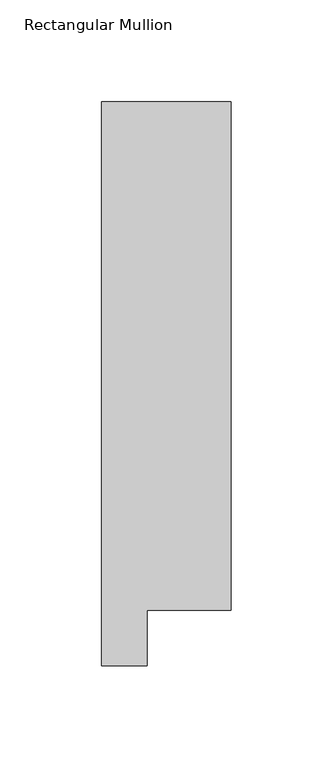
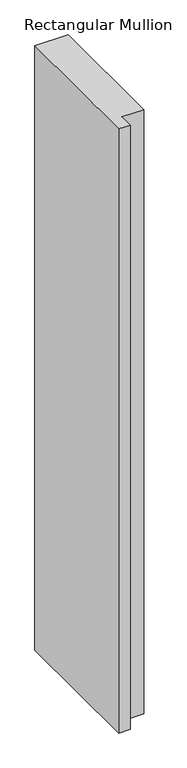
"""IFC4 building model written with IfcOpenShell, lengths in millimetres: member geometry, Rectangular Mullion."""

from ifc_helpers import new_model, si_unit, frame, origin, place, context, project, spatial, polyline, outline, extrude, source, transform, mapped, element, save


def rectangular_mullion_aadb4785(model_context):
    return source(origin(), model_context, "Body", "SweptSolid", [
        extrude(outline(polyline([(-63.5, 295.9695312), (0.0, 295.9695312), (0.0, 46.7447302), (-41.2877, 46.7447302), (-41.2877, 19.5667312), (-63.5, 19.5667312), (-63.5, 295.9695312)])), frame((0.0, 0.0, -1219.2), z_axis=(0.0, 0.0, 1.0), x_axis=(1.0, 0.0, 0.0)), (0.0, 0.0, 1.0), 1219.2),
    ])


if __name__ == "__main__":
    model = new_model("IFC4")
    model_context = context("Model", 3, world=origin())
    ifc_project = project(units=[si_unit("LENGTHUNIT", "METRE", prefix="MILLI")], contexts=[model_context])
    site = spatial("IfcSite", under=ifc_project)
    building = spatial("IfcBuilding", under=site)
    placement = place(None, origin())
    rectangular_mullion_shape = rectangular_mullion_aadb4785(model_context)
    element("IfcMember", 1, ObjectType="Rectangular Mullion", at=placement, inside=building, context=model_context, shape_type="MappedRepresentation", body=[
        mapped(rectangular_mullion_shape, transform((0.0, 0.0, 0.0), x_axis=(1.0, 0.0, 0.0), y_axis=(0.0, 1.0, 0.0), z_axis=(0.0, 0.0, 1.0))),
    ])
    save(model, "model.ifc")
